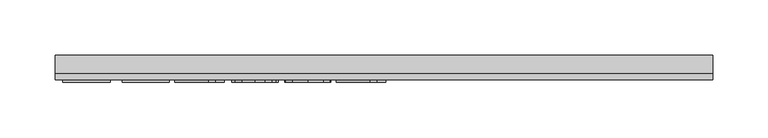
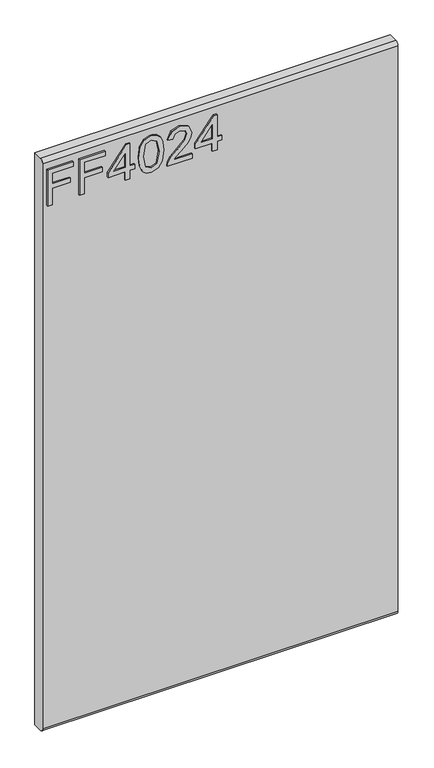
"""IFC4 building model written with IfcOpenShell, lengths in millimetres: furniture geometry."""

from ifc_helpers import new_model, si_unit, frame, origin, place, context, project, spatial, polyline, circle_curve, outline, extrude, source, transform, mapped, element, save
from ifc_brep_helpers import plane_surface, cylinder_surface, advanced_brep


def furniture_4dd0c86c(model_context):
    return source(origin(), model_context, "Body", "SolidModel", [
        extrude(outline(polyline([(1085.85, -291.4729953), (1085.85, -283.4992757), (1114.7547336, -283.4992757), (1114.7547336, -253.5978271), (1122.7284532, -253.5978271), (1122.7284532, -283.4992757), (1141.6660373, -283.4992757), (1141.6660373, -248.6142524), (1149.6397569, -248.6142524), (1149.6397569, -291.4729953), (1085.85, -291.4729953)])), frame((0.0, -15.0812439, 0.0), z_axis=(0.0, 1.0, 0.0), x_axis=(0.0, 0.0, 1.0)), (0.0, 0.0, 1.0), 2.38125),
        extrude(outline(polyline([(1085.85, -237.6503879), (1085.85, -229.6766683), (1114.7547336, -229.6766683), (1114.7547336, -199.7752197), (1122.7284532, -199.7752197), (1122.7284532, -229.6766683), (1141.6660373, -229.6766683), (1141.6660373, -194.791645), (1149.6397569, -194.791645), (1149.6397569, -237.6503879), (1085.85, -237.6503879)])), frame((0.0, -15.0812439, 0.0), z_axis=(0.0, 1.0, 0.0), x_axis=(0.0, 0.0, 1.0)), (0.0, 0.0, 1.0), 2.38125),
        extrude(outline(polyline([(1085.85, -160.9033366), (1085.85, -152.929617), (1100.8007243, -152.929617), (1100.8007243, -144.9558974), (1108.7744439, -144.9558974), (1108.7744439, -152.929617), (1148.643042, -152.929617), (1148.643042, -158.9099067), (1108.7744439, -189.8080702), (1100.8007243, -189.8080702), (1100.8007243, -160.9033366), (1085.85, -160.9033366)]), holes=[polyline([(1108.7744439, -160.9033366), (1108.7744439, -179.9966574), (1133.4119916, -160.9033366), (1108.7744439, -160.9033366)])]), frame((0.0, -15.0812439, 0.0), z_axis=(0.0, 1.0, 0.0), x_axis=(0.0, 0.0, 1.0)), (0.0, 0.0, 1.0), 2.38125),
        extrude(outline(polyline([(1117.2309473, -137.9788927), (1101.7156775, -136.3903782), (1090.9270168, -131.6248349), (1086.371718, -125.3330717), (1084.853285, -117.0478787), (1088.3495742, -105.3754122), (1098.9552443, -98.4373417), (1117.2309473, -96.1168647), (1132.2206058, -97.5652161), (1141.6582505, -101.3028972), (1147.5840324, -107.7348234), (1149.6397569, -117.0478787), (1146.1668283, -128.6736242), (1135.5845188, -135.6350552), (1117.2309473, -137.9788927)]), holes=[polyline([(1117.246521, -130.0051731), (1137.3988514, -126.1429026), (1141.6660373, -117.1413207), (1136.8226256, -107.703676), (1117.246521, -104.0905843), (1097.4601718, -107.8282654), (1092.8270047, -117.0478787), (1097.4445982, -126.267492), (1117.246521, -130.0051731)])]), frame((0.0, -15.0812439, 0.0), z_axis=(0.0, 1.0, 0.0), x_axis=(0.0, 0.0, 1.0)), (0.0, 0.0, 1.0), 2.38125),
        extrude(outline(polyline([(1093.8237196, -48.274547), (1093.8237196, -79.5931996), (1097.8806609, -75.9956816), (1105.550694, -66.8227893), (1116.4756243, -55.3995015), (1124.2936072, -50.688466), (1131.8546245, -49.2712619), (1144.5315928, -54.5273759), (1149.6397569, -68.8006455), (1145.045524, -83.0271941), (1131.6988878, -89.13986), (1130.7021729, -81.1661404), (1138.7537608, -77.8100143), (1141.6660373, -68.9719559), (1138.6836793, -60.492092), (1131.3718407, -57.2449816), (1122.3391115, -60.6867629), (1109.05477, -74.4538881), (1099.8117962, -84.4366113), (1091.3475059, -89.2800231), (1085.85, -90.136575), (1085.85, -48.274547), (1093.8237196, -48.274547)])), frame((0.0, -15.0812439, 0.0), z_axis=(0.0, 1.0, 0.0), x_axis=(0.0, 0.0, 1.0)), (0.0, 0.0, 1.0), 2.38125),
        extrude(outline(polyline([(1085.85, -14.3862386), (1085.85, -6.412519), (1100.8007243, -6.412519), (1100.8007243, 1.5612006), (1108.7744439, 1.5612006), (1108.7744439, -6.412519), (1148.643042, -6.412519), (1148.643042, -12.3928087), (1108.7744439, -43.2909722), (1100.8007243, -43.2909722), (1100.8007243, -14.3862386), (1085.85, -14.3862386)]), holes=[polyline([(1108.7744439, -14.3862386), (1108.7744439, -33.4795594), (1133.4119916, -14.3862386), (1108.7744439, -14.3862386)])]), frame((0.0, -15.0812439, 0.0), z_axis=(0.0, 1.0, 0.0), x_axis=(0.0, 0.0, 1.0)), (0.0, 0.0, 1.0), 2.38125),
        advanced_brep(
        [(298.45, 9.5250061, 1168.4), (298.45, -6.7309939, 1168.4), (298.45, -12.6999939, 1162.431), (298.45, -12.6999939, 158.369), (298.45, -6.7309939, 152.4), (298.45, 9.5250061, 152.4), (-298.45, 9.5250061, 1168.4), (-298.45, 9.5250061, 152.4), (-298.45, -6.7309939, 152.4), (-298.45, -12.6999939, 158.369), (-298.45, -12.6999939, 1162.4310121), (-298.45, -6.7309939, 1168.4)],
        [
            (0, 1),
            (1, 2, circle_curve(frame((298.45, -6.7309939, 1162.431), z_axis=(1.0, 0.0, 0.0), x_axis=(0.0, 1.0, 0.0)), 5.969)),
            (2, 3),
            (3, 4, circle_curve(frame((298.45, -6.7309939, 158.369), z_axis=(1.0, 0.0, 0.0), x_axis=(0.0, 1.0, 0.0)), 5.969)),
            (4, 5),
            (5, 0),
            (6, 7),
            (7, 8),
            (8, 9, circle_curve(frame((-298.45, -6.7309939, 158.369), z_axis=(-1.0, 0.0, 0.0), x_axis=(0.0, 1.0, 0.0)), 5.969)),
            (9, 10),
            (10, 11, circle_curve(frame((-298.45, -6.7309939, 1162.431), z_axis=(-1.0, 0.0, 0.0), x_axis=(0.0, 1.0, 0.0)), 5.969)),
            (11, 6),
            (0, 6),
            (11, 1),
            (10, 2),
            (9, 3),
            (8, 4),
            (7, 5),
        ],
        [
            plane_surface(frame((298.45, -6.7309939, 1168.4), z_axis=(1.0, 0.0, 0.0), x_axis=(0.0, -1.0, 0.0))),
            plane_surface(frame((-298.45, -6.7309939, 1168.4), z_axis=(-1.0, 0.0, 0.0), x_axis=(0.0, 1.0, 0.0))),
            plane_surface(frame((298.45, 9.5250061, 1168.4), z_axis=(0.0, 0.0, 1.0), x_axis=(-1.0, 0.0, 0.0))),
            cylinder_surface(frame((-298.45, -6.7309939, 1162.431), z_axis=(1.0, 0.0, 0.0), x_axis=(0.0, 1.0, 0.0)), 5.969),
            plane_surface(frame((298.45, -12.6999939, 1162.4310121), z_axis=(0.0, -1.0, 0.0), x_axis=(-1.0, 0.0, 0.0))),
            cylinder_surface(frame((-298.45, -6.7309939, 158.369), z_axis=(1.0, 0.0, 0.0), x_axis=(0.0, 1.0, 0.0)), 5.969),
            plane_surface(frame((298.45, -6.7309939, 152.4), z_axis=(0.0, 0.0, -1.0), x_axis=(-1.0, 0.0, 0.0))),
            plane_surface(frame((298.45, 9.5250061, 152.4), z_axis=(0.0, 1.0, 0.0), x_axis=(-1.0, 0.0, 0.0))),
        ],
        [
            (0, [[1, 2, 3, 4, 5, 6]]),
            (1, [[7, 8, 9, 10, 11, 12]]),
            (2, [[-1, 13, -12, 14]]),
            (3, [[-2, -14, -11, 15]]),
            (4, [[-3, -15, -10, 16]]),
            (5, [[-4, -16, -9, 17]]),
            (6, [[-5, -17, -8, 18]]),
            (7, [[-6, -18, -7, -13]]),
        ],
    ),
    ])


if __name__ == "__main__":
    model = new_model("IFC4")
    model_context = context("Model", 3, world=origin())
    ifc_project = project(units=[si_unit("LENGTHUNIT", "METRE", prefix="MILLI")], contexts=[model_context])
    site = spatial("IfcSite", under=ifc_project)
    building = spatial("IfcBuilding", under=site)
    placement = place(None, origin())
    furniture_shape = furniture_4dd0c86c(model_context)
    element("IfcFurniture", 1, at=placement, inside=building, context=model_context, shape_type="MappedRepresentation", body=[
        mapped(furniture_shape, transform((0.0, 0.0, 0.0), x_axis=(1.0, 0.0, 0.0), y_axis=(0.0, 1.0, 0.0), z_axis=(0.0, 0.0, 1.0))),
    ])
    save(model, "model.ifc")
